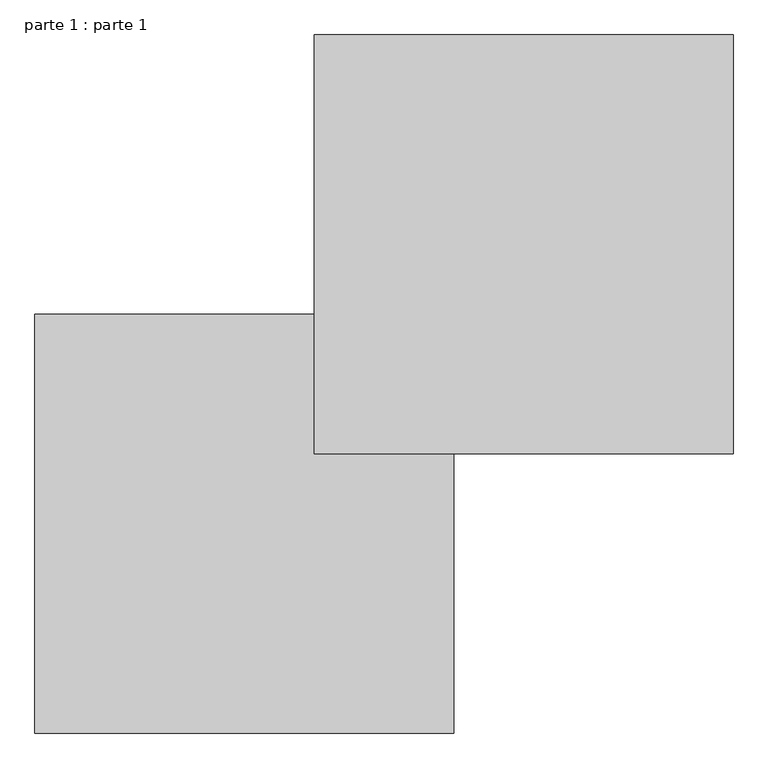
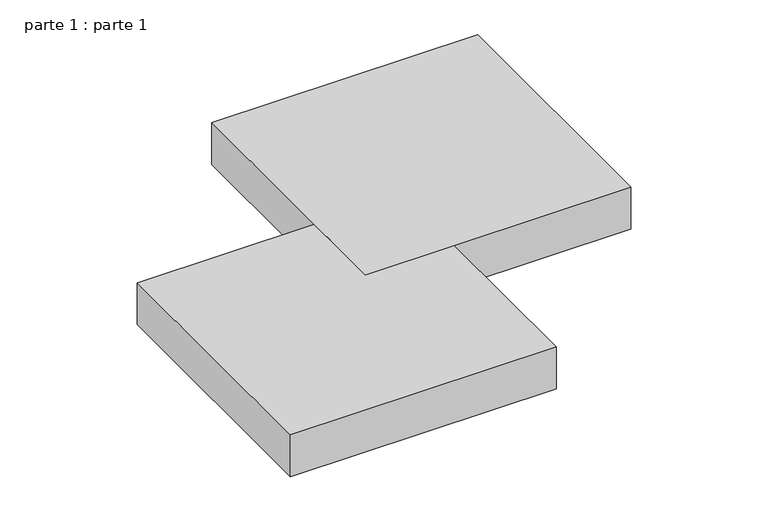
"""IFC4 building model written with IfcOpenShell, lengths in millimetres: proxy geometry, parte 1 : parte 1."""

from ifc_helpers import new_model, si_unit, frame, origin, place, context, project, spatial, polyline, outline, extrude, source, transform, mapped, element, save


def parte_1_parte_1_336c72db(model_context):
    return source(origin(), model_context, "Body", "SweptSolid", [
        extrude(outline(polyline([(1000.0, 1000.0), (1000.0, 400.0), (400.0, 400.0), (400.0, 1000.0), (1000.0, 1000.0)])), frame((0.0, 0.0, 500.0), z_axis=(0.0, 0.0, 1.0), x_axis=(1.0, 0.0, 0.0)), (0.0, 0.0, 1.0), 100.0),
        extrude(outline(polyline([(600.0, 0.0), (0.0, 0.0), (0.0, 600.0), (600.0, 600.0), (600.0, 0.0)])), frame((0.0, 0.0, 500.0), z_axis=(0.0, 0.0, 1.0), x_axis=(1.0, 0.0, 0.0)), (0.0, 0.0, 1.0), 100.0),
    ])


if __name__ == "__main__":
    model = new_model("IFC4")
    model_context = context("Model", 3, world=origin())
    ifc_project = project(units=[si_unit("LENGTHUNIT", "METRE", prefix="MILLI")], contexts=[model_context])
    site = spatial("IfcSite", under=ifc_project)
    building = spatial("IfcBuilding", under=site)
    placement = place(None, origin())
    parte_1_parte_1_shape = parte_1_parte_1_336c72db(model_context)
    element("IfcBuildingElementProxy", 1, Name="parte 1 : parte 1", ObjectType="parte 1 : parte 1", at=placement, inside=building, context=model_context, shape_type="MappedRepresentation", body=[
        mapped(parte_1_parte_1_shape, transform((0.0, 0.0, 0.0), x_axis=(1.0, 0.0, 0.0), y_axis=(0.0, 1.0, 0.0), z_axis=(0.0, 0.0, 1.0))),
    ])
    save(model, "model.ifc")
